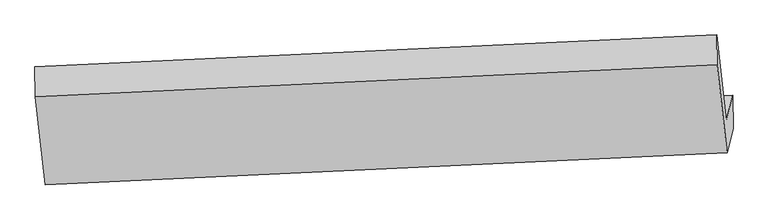
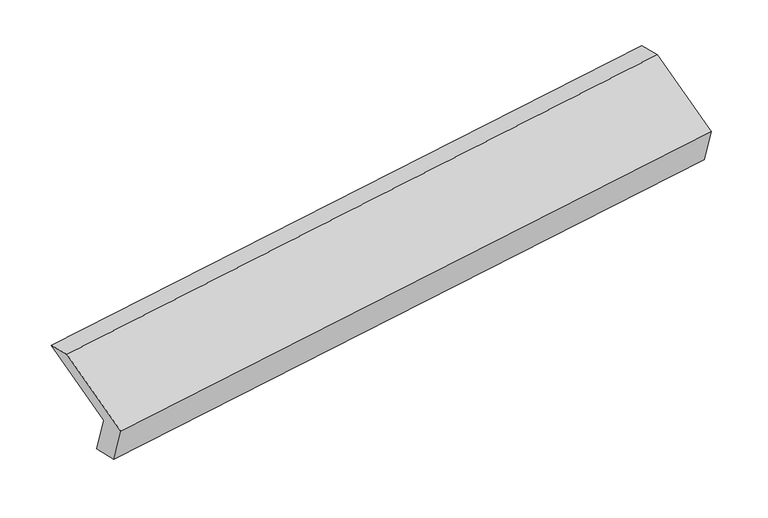
"""IFC4 building model written with IfcOpenShell, lengths in millimetres: proxy geometry."""

from ifc_helpers import new_model, si_unit, origin, place, context, project, spatial, faceted_brep, source, transform, mapped, element, save


def generic_models_b458dc10(model_context):
    return source(origin(), model_context, "Body", "Brep", [
        faceted_brep([(-5186.4122359, -1589.3842494, 1228.3477715), (-5229.680228, -1763.7012426, 1585.5206442), (-479.3093873, -1540.6235696, 2269.8537948), (-436.0413952, -1366.3065763, 1912.6809221), (-5183.5101407, -1818.5940594, 1280.2283658), (-433.1393, -1595.5163863, 1964.5615165), (-5225.6958613, -1988.5508244, 1628.4671971), (-475.3250206, -1765.4731513, 2312.8003477), (-5294.9879041, -1375.0985975, 1919.4663968), (-544.6170634, -1152.0209244, 2603.7995475), (-5296.9417332, -1168.2256511, 1867.9923885), (-546.5708925, -945.1479781, 2552.3255392)], [[[0, 1, 2, 3]], [[4, 0, 3, 5]], [[6, 4, 5, 7]], [[8, 6, 7, 9]], [[10, 8, 9, 11]], [[1, 10, 11, 2]], [[9, 7, 5, 3, 2, 11]], [[1, 0, 4, 6, 8, 10]]]),
    ])


if __name__ == "__main__":
    model = new_model("IFC4")
    model_context = context("Model", 3, world=origin())
    ifc_project = project(units=[si_unit("LENGTHUNIT", "METRE", prefix="MILLI")], contexts=[model_context])
    site = spatial("IfcSite", under=ifc_project)
    building = spatial("IfcBuilding", under=site)
    placement = place(None, origin())
    generic_models_shape = generic_models_b458dc10(model_context)
    element("IfcBuildingElementProxy", 1, Name="Generic Models", at=placement, inside=building, context=model_context, shape_type="MappedRepresentation", body=[
        mapped(generic_models_shape, transform((0.0, 0.0, 0.0), x_axis=(1.0, 0.0, 0.0), y_axis=(0.0, 1.0, 0.0), z_axis=(0.0, 0.0, 1.0))),
    ])
    save(model, "model.ifc")
